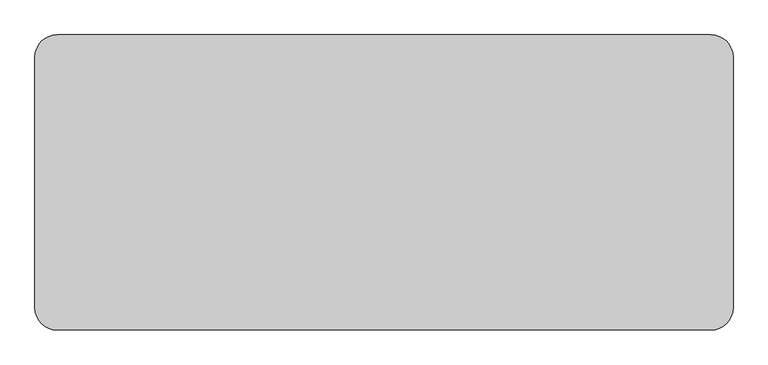
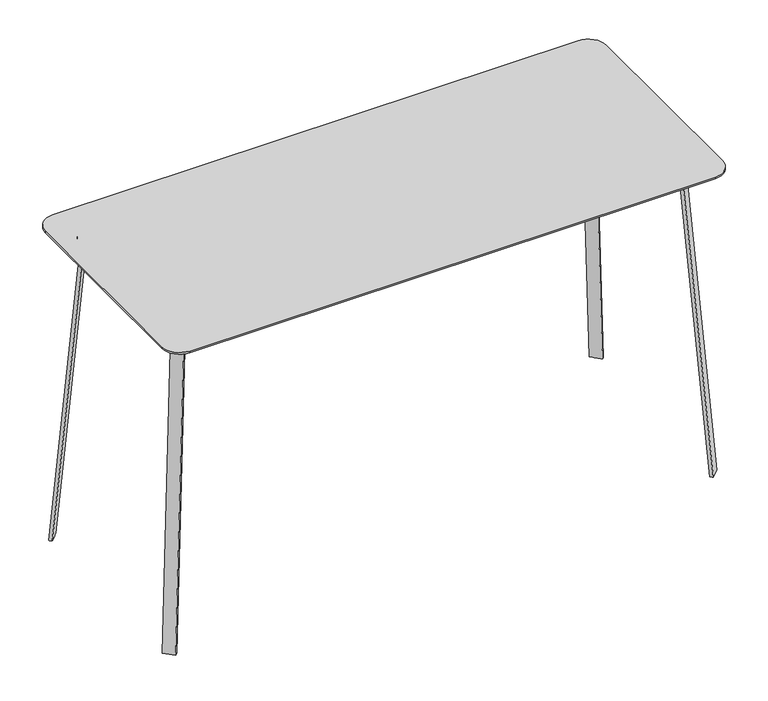
"""IFC4 building model written with IfcOpenShell, lengths in millimetres: furniture geometry."""

import ifcopenshell
import ifcopenshell.guid

model = None  # the IFC model being written
_history = None  # IfcOwnerHistory: only IFC2X3 demands one
_inside = {}  # id of a spatial element -> (the spatial element, [elements in it])
_under = {}  # id of a project, library or spatial element -> (it, [spatial elements below it])
_declared = {}  # id of a project -> (the project, [libraries it declares])
_typed = {}  # id of a type object -> (the type object, [elements of that type])
_made_of = {}  # id of a material, layer set ... -> (it, [elements and type objects made of it])


def new_model(schema):
    """Start an empty IFC model of exactly this schema.

    Asked for "IFC4X3", IfcOpenShell would pick the latest addendum, in which some entities
    have other attributes; the version numbers below select the first issue.
    IFC2X3 requires an IfcOwnerHistory on every rooted entity: one is made here for all.
    """
    global model, _history
    if schema == "IFC4X3":
        model = ifcopenshell.file(schema_version=(4, 3, 0, 0))
    else:
        model = ifcopenshell.file(schema=schema)
    _inside.clear()
    _under.clear()
    _declared.clear()
    _typed.clear()
    _made_of.clear()
    _history = None
    if model.schema == "IFC2X3":
        org = make("IfcOrganization", Name="unknown")
        user = make(
            "IfcPersonAndOrganization",
            ThePerson=make("IfcPerson", FamilyName="unknown"),
            TheOrganization=org,
        )
        app = make(
            "IfcApplication",
            ApplicationDeveloper=org,
            Version="unknown",
            ApplicationFullName="unknown",
            ApplicationIdentifier="unknown",
        )
        _history = make(
            "IfcOwnerHistory",
            OwningUser=user,
            OwningApplication=app,
            ChangeAction="ADDED",
            CreationDate=0,
        )
    return model


def make(cls, **values):
    """One entity of the class cls with the attributes given. An attribute that is None is left unset."""
    return model.create_entity(
        cls, **{name: value for name, value in values.items() if value is not None}
    )


def rooted(cls, **values):
    """An entity with a GlobalId (a new one), such as an element, a storey or a relation."""
    return make(cls, GlobalId=ifcopenshell.guid.new(), OwnerHistory=_history, **values)


def si_unit(unit_type, name, prefix=None):
    """IfcSIUnit, for example si_unit("LENGTHUNIT", "METRE", prefix="MILLI")."""
    return make("IfcSIUnit", UnitType=unit_type, Prefix=prefix, Name=name)


def assignment(units):
    """IfcUnitAssignment: the units of a project."""
    return None if units is None else make("IfcUnitAssignment", Units=units)


def point(xyz):
    """IfcCartesianPoint."""
    return None if xyz is None else make("IfcCartesianPoint", Coordinates=xyz)


def direction(xyz):
    """IfcDirection."""
    return None if xyz is None else make("IfcDirection", DirectionRatios=xyz)


def frame(location, z_axis=None, x_axis=None):
    """IfcAxis2Placement3D, a coordinate frame: its origin and axes. An axis left out is left unset."""
    return make(
        "IfcAxis2Placement3D",
        Location=point(location),
        Axis=direction(z_axis),
        RefDirection=direction(x_axis),
    )


def frame_2d(location, x_axis=None):
    """IfcAxis2Placement2D, a coordinate frame in the plane: its origin and x axis."""
    return make(
        "IfcAxis2Placement2D", Location=point(location), RefDirection=direction(x_axis)
    )


def origin():
    """The frame at (0, 0, 0) with its axes left unset."""
    return frame((0.0, 0.0, 0.0))


def place(relative_to, where):
    """IfcLocalPlacement: puts the frame where relative to a parent placement (None: the world)."""
    return make(
        "IfcLocalPlacement", PlacementRelTo=relative_to, RelativePlacement=where
    )


def context(
    kind, dimensions, precision=None, world=None, true_north=None, identifier=None
):
    """IfcGeometricRepresentationContext, for example the 3D "Model" context."""
    return make(
        "IfcGeometricRepresentationContext",
        ContextIdentifier=identifier,
        ContextType=kind,
        CoordinateSpaceDimension=dimensions,
        Precision=precision,
        WorldCoordinateSystem=world,
        TrueNorth=true_north,
    )


def project(units=None, contexts=None):
    """IfcProject with its units and contexts."""
    return rooted(
        "IfcProject",
        Name="project",
        RepresentationContexts=contexts,
        UnitsInContext=assignment(units),
    )


def spatial(cls, under=None, at=None, **own):
    """A site, building, storey or space (cls), placed at a placement, below another one or the project."""
    s = rooted(cls, ObjectPlacement=at, **own)
    if under is not None:
        _under.setdefault(under.id(), (under, []))[1].append(s)
    return s


def polyline(points):
    """IfcPolyline through the points."""
    return make("IfcPolyline", Points=[point(p) for p in points])


def circle_curve(where, radius):
    """IfcCircle in the frame where."""
    return make("IfcCircle", Position=where, Radius=radius)


def trimmed(basis, trim1, trim2, sense, master):
    """IfcTrimmedCurve: the piece of a basis curve between two trims."""
    return make(
        "IfcTrimmedCurve",
        BasisCurve=basis,
        Trim1=trim1,
        Trim2=trim2,
        SenseAgreement=sense,
        MasterRepresentation=master,
    )


def segment(curve, same_sense, transition):
    """IfcCompositeCurveSegment."""
    return make(
        "IfcCompositeCurveSegment",
        Transition=transition,
        SameSense=same_sense,
        ParentCurve=curve,
    )


def composite_curve(segments, self_intersect=None):
    """IfcCompositeCurve: segments joined end to end."""
    return make("IfcCompositeCurve", Segments=segments, SelfIntersect=self_intersect)


def outline(outer, holes=None, kind="AREA"):
    """IfcArbitraryClosedProfileDef: a profile drawn as a closed curve; with holes, ...WithVoids."""
    if holes is None:
        return make("IfcArbitraryClosedProfileDef", ProfileType=kind, OuterCurve=outer)
    return make(
        "IfcArbitraryProfileDefWithVoids",
        ProfileType=kind,
        OuterCurve=outer,
        InnerCurves=holes,
    )


def extrude(swept, where, along, depth):
    """IfcExtrudedAreaSolid: the profile swept, set in the frame where, extruded along a direction by depth."""
    return make(
        "IfcExtrudedAreaSolid",
        SweptArea=swept,
        Position=where,
        ExtrudedDirection=direction(along),
        Depth=depth,
    )


def shape(context_of_items, identifier, shape_type, items):
    """IfcShapeRepresentation: the items that make up one representation, for example the "Body"."""
    return make(
        "IfcShapeRepresentation",
        ContextOfItems=context_of_items,
        RepresentationIdentifier=identifier,
        RepresentationType=shape_type,
        Items=items,
    )


def source(mapping_origin, context_of_items, identifier, shape_type, items):
    """IfcRepresentationMap: a shape defined once, which mapped items show again and again."""
    return make(
        "IfcRepresentationMap",
        MappingOrigin=mapping_origin,
        MappedRepresentation=shape(context_of_items, identifier, shape_type, items),
    )


def transform(
    local_origin,
    x_axis=None,
    y_axis=None,
    z_axis=None,
    scale=None,
    scale2=None,
    scale3=None,
    uniform=True,
):
    """IfcCartesianTransformationOperator3D, or its non-uniform kind. x_axis, y_axis, z_axis: its Axis1, 2, 3."""
    if uniform:
        return make(
            "IfcCartesianTransformationOperator3D",
            Axis1=direction(x_axis),
            Axis2=direction(y_axis),
            LocalOrigin=point(local_origin),
            Scale=scale,
            Axis3=direction(z_axis),
        )
    return make(
        "IfcCartesianTransformationOperator3DnonUniform",
        Axis1=direction(x_axis),
        Axis2=direction(y_axis),
        LocalOrigin=point(local_origin),
        Scale=scale,
        Axis3=direction(z_axis),
        Scale2=scale2,
        Scale3=scale3,
    )


def mapped(mapping_source, mapping_target):
    """IfcMappedItem: shows the shape of a source again, moved by a transform."""
    return make(
        "IfcMappedItem", MappingSource=mapping_source, MappingTarget=mapping_target
    )


def made_of(thing, what):
    """Note that an element or type object is made of a material, layer set ...; save() writes the relation."""
    if what is not None:
        _made_of.setdefault(what.id(), (what, []))[1].append(thing)
    return thing


def element(
    cls,
    number,
    at=None,
    inside=None,
    cuts=None,
    type_object=None,
    material=None,
    context=None,
    identifier="Body",
    shape_type=None,
    held_by="IfcProductDefinitionShape",
    body=None,
    shapes=None,
    **own,
):
    """One element of the class cls, such as IfcWall. Its Tag is "e" and its number.

    at: its placement. inside: the storey or other place that contains it. cuts: it is an
    opening in that element (IfcRelVoidsElement). A single representation is given by context,
    identifier, shape_type and body (its items); several are given by shapes. held_by: the class
    of the entity that holds the representations. save() writes the other relations.
    """
    e = rooted(cls, Tag="e%d" % number, ObjectPlacement=at, **own)
    if body is not None:
        shapes = [shape(context, identifier, shape_type, body)]
    if shapes is not None:
        e.Representation = make(held_by, Representations=shapes)
    if inside is not None:
        _inside.setdefault(inside.id(), (inside, []))[1].append(e)
    if cuts is not None:
        rooted(
            "IfcRelVoidsElement", RelatingBuildingElement=cuts, RelatedOpeningElement=e
        )
    if type_object is not None:
        _typed.setdefault(type_object.id(), (type_object, []))[1].append(e)
    return made_of(e, material)


def aggregate(whole, parts):
    """IfcRelAggregates: a whole, such as a stair, and the parts it consists of."""
    return rooted("IfcRelAggregates", RelatingObject=whole, RelatedObjects=parts)


def save(model, path):
    """Write the relations noted so far, then the file.

    IfcRelAggregates (storeys below a building ...), IfcRelContainedInSpatialStructure (elements
    in a storey), IfcRelDefinesByType, IfcRelAssociatesMaterial and IfcRelDeclares: one each for
    every whole, place, type object, material and project.
    """
    for whole, parts in _under.values():
        aggregate(whole, parts)
    for where, things in _inside.values():
        rooted(
            "IfcRelContainedInSpatialStructure",
            RelatedElements=things,
            RelatingStructure=where,
        )
    for kind, things in _typed.values():
        rooted("IfcRelDefinesByType", RelatedObjects=things, RelatingType=kind)
    for what, things in _made_of.values():
        rooted("IfcRelAssociatesMaterial", RelatedObjects=things, RelatingMaterial=what)
    for by, libraries in _declared.values():
        rooted("IfcRelDeclares", RelatingContext=by, RelatedDefinitions=libraries)
    model.write(path)


def plane_surface(at):
    """IfcPlane: the flat surface through the origin of the frame at, square to its z axis."""
    return make("IfcPlane", Position=at)


def cylinder_surface(at, radius):
    """IfcCylindricalSurface: all points at the distance radius from the z axis of the frame at."""
    return make("IfcCylindricalSurface", Position=at, Radius=radius)


def revolved_surface(curve, axis_point, axis_direction):
    """IfcSurfaceOfRevolution: the curve turned about the line through axis_point along axis_direction."""
    return make(
        "IfcSurfaceOfRevolution",
        SweptCurve=make("IfcArbitraryOpenProfileDef", ProfileType="CURVE", Curve=curve),
        AxisPosition=make("IfcAxis1Placement", Location=point(axis_point), Axis=direction(axis_direction)),
    )


def spline_surface(u_degree, v_degree, points, u_multiplicities, v_multiplicities, u_knots, v_knots, weights=None):
    """IfcBSplineSurfaceWithKnots; with weights, IfcRationalBSplineSurfaceWithKnots. points: one row for each step in u."""
    own = dict(
        UDegree=u_degree,
        VDegree=v_degree,
        ControlPointsList=[[point(p) for p in row] for row in points],
        SurfaceForm="UNSPECIFIED",
        UClosed=False,
        VClosed=False,
        SelfIntersect=False,
        UMultiplicities=u_multiplicities,
        VMultiplicities=v_multiplicities,
        UKnots=u_knots,
        VKnots=v_knots,
        KnotSpec="UNSPECIFIED",
    )
    if weights is None:
        return make("IfcBSplineSurfaceWithKnots", **own)
    return make("IfcRationalBSplineSurfaceWithKnots", WeightsData=weights, **own)


def advanced_brep(points, edges, surfaces, faces):
    """IfcAdvancedBrep: a solid bounded by faces that lie on surfaces and meet in shared edges.

    An edge is (start, end): straight between two places in points (the first is 0);
    or (start, end, curve); or (start, end, curve, False) where it runs against its curve.
    A face is (place in surfaces, loops), or (place, loops, False) where it looks against
    its surface's normal. A loop lists edges by number (the first is 1), with a minus sign
    where the edge is run from its end to its start. The first loop is the outer one.
    """
    corners = [point(p) for p in points]
    vertices = [make("IfcVertexPoint", VertexGeometry=c) for c in corners]
    made = []
    for start, end, *more in edges:
        made.append(
            make(
                "IfcEdgeCurve",
                EdgeStart=vertices[start],
                EdgeEnd=vertices[end],
                EdgeGeometry=more[0] if more else make("IfcPolyline", Points=[corners[start], corners[end]]),
                SameSense=more[1] if len(more) > 1 else True,
            )
        )
    hull = []
    for where, loops, *sense in faces:
        bounds = []
        for j, loop in enumerate(loops):
            ring = [make("IfcOrientedEdge", EdgeElement=made[abs(k) - 1], Orientation=k > 0) for k in loop]
            bounds.append(
                make(
                    "IfcFaceOuterBound" if j == 0 else "IfcFaceBound",
                    Bound=make("IfcEdgeLoop", EdgeList=ring),
                    Orientation=True,
                )
            )
        hull.append(make("IfcAdvancedFace", Bounds=bounds, FaceSurface=surfaces[where], SameSense=sense[0] if sense else True))
    return make("IfcAdvancedBrep", Outer=make("IfcClosedShell", CfsFaces=hull))


def furniture_168d4a9d(model_context):
    return source(origin(), model_context, "Body", "SolidModel", [
        extrude(outline(composite_curve([segment(trimmed(circle_curve(frame_2d((1202.7154289, 209.153125)), 60.325), [point((1202.7154289, 269.478125))], [point((1263.0404289, 209.153125))], False, "CARTESIAN"), True, "CONTINUOUS"), segment(polyline([(1263.0404289, 209.153125), (1263.0404289, -470.296875)]), True, "CONTINUOUS"), segment(trimmed(circle_curve(frame_2d((1202.7154289, -470.296875)), 60.325), [point((1263.0404289, -470.296875))], [point((1202.7154289, -530.621875))], False, "CARTESIAN"), True, "CONTINUOUS"), segment(polyline([(1202.7154289, -530.621875), (-566.6525399, -530.621875)]), True, "CONTINUOUS"), segment(trimmed(circle_curve(frame_2d((-566.6525399, -470.296875)), 60.325), [point((-566.6525399, -530.621875))], [point((-626.9775399, -470.296875))], False, "CARTESIAN"), True, "CONTINUOUS"), segment(polyline([(-626.9775399, -470.296875), (-626.9775399, 209.153125)]), True, "CONTINUOUS"), segment(trimmed(circle_curve(frame_2d((-566.6525399, 209.153125)), 60.325), [point((-626.9775399, 209.153125))], [point((-566.6525399, 269.478125))], False, "CARTESIAN"), True, "CONTINUOUS"), segment(polyline([(-566.6525399, 269.478125), (1202.7154289, 269.478125)]), True, "CONTINUOUS")], self_intersect=False)), frame((0.0, 0.0, 1094.047053), z_axis=(0.0, 0.0, 1.0), x_axis=(1.0, 0.0, 0.0)), (0.0, 0.0, 1.0), 5.9912283),
        advanced_brep(
        [(-510.8413612, -436.1434602, 1094.047053), (1146.8752089, -436.1434602, 1094.047053), (1197.6752089, -385.3434602, 1094.047053), (1197.6752089, 124.2199619, 1094.047053), (1146.8752089, 175.0199619, 1094.047053), (-510.8123198, 175.0199619, 1094.047053), (-561.6123198, 124.2199619, 1094.047053), (-561.6413612, -385.3434602, 1094.047053), (-510.7142395, -428.1022359, 1094.047053), (-553.6001551, -385.2163203, 1094.047053), (-553.6001551, 124.7624191, 1094.047053), (-511.218017, 166.9787557, 1094.047053), (1147.2809061, 166.9787557, 1094.047053), (1189.6339846, 124.6256772, 1094.047053), (1189.6339846, -385.6612191, 1094.047053), (1147.1929678, -428.1022359, 1094.047053), (-510.8413612, -436.1434602, 1063.8925345), (-561.6413612, -385.3434602, 1063.8925345), (-561.6413612, 124.2199619, 1063.8925345), (-510.8123198, 175.0199619, 1063.8925345), (1146.8752089, 175.0199619, 1063.8925345), (1197.6752089, 124.2199619, 1063.8925345), (1197.6752089, -385.3434602, 1063.8925345), (1146.8752089, -436.1434602, 1063.8925345), (-510.7142395, -428.1022359, 1063.8925345), (1147.1929678, -428.1022359, 1063.8925345), (1189.6339846, -385.6612191, 1063.8925345), (1189.6339846, 124.6256772, 1063.8925345), (1147.2809061, 166.9787557, 1063.8925345), (-511.218017, 166.9787557, 1063.8925345), (-553.5710955, 124.6256772, 1063.8925345), (-553.6001551, -385.2163203, 1063.8925345)],
        [
            (0, 1),
            (1, 2, circle_curve(frame((1146.8752089, -385.3434602, 1094.047053), z_axis=(0.0, 0.0, 1.0), x_axis=(1.0, 0.0, 0.0)), 50.8)),
            (2, 3),
            (3, 4, circle_curve(frame((1146.8752089, 124.2199619, 1094.047053), z_axis=(0.0, 0.0, 1.0), x_axis=(1.0, 0.0, 0.0)), 50.8)),
            (4, 5),
            (5, 6, circle_curve(frame((-510.8123198, 124.2199619, 1094.047053), z_axis=(0.0, 0.0, 1.0), x_axis=(1.0, 0.0, 0.0)), 50.8)),
            (6, 7),
            (7, 0, circle_curve(frame((-510.8413612, -385.3434602, 1094.047053), z_axis=(0.0, 0.0, 1.0), x_axis=(1.0, 0.0, 0.0)), 50.8)),
            (8, 9, circle_curve(frame((-510.7142395, -385.2163203, 1094.047053), z_axis=(0.0, 0.0, -1.0), x_axis=(1.0, 0.0, 0.0)), 42.8859156)),
            (9, 10),
            (10, 11, circle_curve(frame((-511.218017, 124.6256772, 1094.047053), z_axis=(0.0, 0.0, -1.0), x_axis=(1.0, 0.0, 0.0)), 42.3530785)),
            (11, 12),
            (12, 13, circle_curve(frame((1147.2809061, 124.6256772, 1094.047053), z_axis=(0.0, 0.0, -1.0), x_axis=(1.0, 0.0, 0.0)), 42.3530785)),
            (13, 14),
            (14, 15, circle_curve(frame((1147.1929678, -385.6612191, 1094.047053), z_axis=(0.0, 0.0, -1.0), x_axis=(1.0, 0.0, 0.0)), 42.4410167)),
            (15, 8),
            (16, 17, circle_curve(frame((-510.8413612, -385.3434602, 1063.8925345), z_axis=(0.0, 0.0, -1.0), x_axis=(1.0, 0.0, 0.0)), 50.8)),
            (17, 18),
            (18, 19, circle_curve(frame((-510.8123198, 124.2199619, 1063.8925345), z_axis=(0.0, 0.0, -1.0), x_axis=(1.0, 0.0, 0.0)), 50.8)),
            (19, 20),
            (20, 21, circle_curve(frame((1146.8752089, 124.2199619, 1063.8925345), z_axis=(0.0, 0.0, -1.0), x_axis=(1.0, 0.0, 0.0)), 50.8)),
            (21, 22),
            (22, 23, circle_curve(frame((1146.8752089, -385.3434602, 1063.8925345), z_axis=(0.0, 0.0, -1.0), x_axis=(1.0, 0.0, 0.0)), 50.8)),
            (23, 16),
            (24, 25),
            (25, 26, circle_curve(frame((1147.1929678, -385.6612191, 1063.8925345), z_axis=(0.0, 0.0, 1.0), x_axis=(1.0, 0.0, 0.0)), 42.4410167)),
            (26, 27),
            (27, 28, circle_curve(frame((1147.2809061, 124.6256772, 1063.8925345), z_axis=(0.0, 0.0, 1.0), x_axis=(1.0, 0.0, 0.0)), 42.3530785)),
            (28, 29),
            (29, 30, circle_curve(frame((-511.218017, 124.6256772, 1063.8925345), z_axis=(0.0, 0.0, 1.0), x_axis=(1.0, 0.0, 0.0)), 42.3530785)),
            (30, 31),
            (31, 24, circle_curve(frame((-510.7142395, -385.2163203, 1063.8925345), z_axis=(0.0, 0.0, 1.0), x_axis=(1.0, 0.0, 0.0)), 42.8859156)),
            (0, 16),
            (23, 1),
            (2, 22),
            (21, 3),
            (20, 4),
            (19, 5),
            (18, 6),
            (17, 7),
            (9, 31),
            (30, 10),
            (29, 11),
            (28, 12),
            (27, 13),
            (26, 14),
            (15, 25),
            (24, 8),
        ],
        [
            plane_surface(frame((1146.8752089, -436.1434602, 1094.047053), z_axis=(0.0, 0.0, 1.0), x_axis=(1.0, 0.0, 0.0))),
            plane_surface(frame((1146.8752089, -436.1434602, 1063.8925345), z_axis=(0.0, 0.0, -1.0), x_axis=(-1.0, 0.0, 0.0))),
            plane_surface(frame((-510.8413612, -436.1434602, 1094.047053), z_axis=(0.0, -1.0, 0.0), x_axis=(0.0, 0.0, -1.0))),
            plane_surface(frame((1197.6752089, -385.3434602, 1094.047053), z_axis=(1.0, 0.0, 0.0), x_axis=(0.0, 0.0, -1.0))),
            cylinder_surface(frame((1146.8752089, 124.2199619, 1063.8925345), z_axis=(0.0, 0.0, 1.0), x_axis=(1.0, 0.0, 0.0)), 50.8),
            plane_surface(frame((1146.8752089, 175.0199619, 1094.047053), z_axis=(0.0, 1.0, 0.0), x_axis=(0.0, 0.0, -1.0))),
            cylinder_surface(frame((-510.8123198, 124.2199619, 1063.8925345), z_axis=(0.0, 0.0, 1.0), x_axis=(1.0, 0.0, 0.0)), 50.8),
            plane_surface(frame((-561.6413612, 124.2199619, 1094.047053), z_axis=(-1.0, 0.0, 0.0), x_axis=(0.0, 0.0, -1.0))),
            plane_surface(frame((-553.6001551, -385.2163203, 1094.047053), z_axis=(1.0, 0.0, 0.0), x_axis=(0.0, 0.0, -1.0))),
            revolved_surface(polyline([(-468.8649385, 124.6256772, 1063.8925345), (-468.8649385, 124.6256772, 1094.047053)]), (-511.218017, 124.6256772, 0.0), (0.0, 0.0, -1.0)),
            plane_surface(frame((-511.218017, 166.9787557, 1094.047053), z_axis=(0.0, -1.0, 0.0), x_axis=(0.0, 0.0, -1.0))),
            revolved_surface(polyline([(1189.6339846, 124.6256772, 1063.8925345), (1189.6339846, 124.6256772, 1094.047053)]), (1147.2809061, 124.6256772, 0.0), (0.0, 0.0, -1.0)),
            plane_surface(frame((1189.6339846, 124.6256772, 1094.047053), z_axis=(-1.0, 0.0, 0.0), x_axis=(0.0, 0.0, -1.0))),
            plane_surface(frame((1147.1929678, -428.1022359, 1094.047053), z_axis=(0.0, 1.0, 0.0), x_axis=(0.0, 0.0, -1.0))),
            cylinder_surface(frame((1146.8752089, -385.3434602, 1063.8925345), z_axis=(0.0, 0.0, 1.0), x_axis=(1.0, 0.0, 0.0)), 50.8),
            cylinder_surface(frame((-510.8413612, -385.3434602, 1063.8925345), z_axis=(0.0, 0.0, 1.0), x_axis=(1.0, 0.0, 0.0)), 50.8),
            revolved_surface(polyline([(-467.82832390000004, -385.2163203, 1063.8925345), (-467.82832390000004, -385.2163203, 1094.047053)]), (-510.7142395, -385.2163203, 0.0), (0.0, 0.0, -1.0)),
            revolved_surface(polyline([(1189.6339845, -385.6612191, 1063.8925345), (1189.6339845, -385.6612191, 1094.047053)]), (1147.1929678, -385.6612191, 0.0), (0.0, 0.0, -1.0)),
        ],
        [
            (0, [[1, 2, 3, 4, 5, 6, 7, 8], [9, 10, 11, 12, 13, 14, 15, 16]]),
            (1, [[17, 18, 19, 20, 21, 22, 23, 24], [25, 26, 27, 28, 29, 30, 31, 32]]),
            (2, [[-1, 33, -24, 34]]),
            (3, [[-3, 35, -22, 36]]),
            (4, [[-4, -36, -21, 37]]),
            (5, [[-5, -37, -20, 38]]),
            (6, [[-6, -38, -19, 39]]),
            (7, [[-7, -39, -18, 40]]),
            (8, [[-10, 41, -31, 42]]),
            (9, [[-11, -42, -30, 43]]),
            (10, [[-12, -43, -29, 44]]),
            (11, [[-13, -44, -28, 45]]),
            (12, [[-14, -45, -27, 46]]),
            (13, [[-16, 47, -25, 48]]),
            (14, [[-2, -34, -23, -35]]),
            (15, [[-8, -40, -17, -33]]),
            (16, [[-9, -48, -32, -41]]),
            (17, [[-15, -46, -26, -47]]),
        ],
    ),
        advanced_brep(
        [(-522.9418138, 161.6525031, 1081.9852529), (-551.3717736, 133.2225433, 1081.9852529), (-544.1908619, 126.0416408, 1081.9852529), (-515.7609112, 154.4716006, 1081.9852529), (-590.7605893, 229.4712787, 0.0), (-583.5796868, 222.2903762, 0.0), (-612.0096446, 193.8604195, 0.0), (-619.190548, 201.0413235, 0.0)],
        [
            (0, 1),
            (1, 2),
            (2, 3),
            (3, 0),
            (4, 5),
            (5, 6),
            (6, 7),
            (7, 4),
            (7, 1),
            (0, 4),
            (6, 2),
            (5, 3),
        ],
        [
            plane_surface(frame((-533.5663401, 143.847072, 1081.9852529), z_axis=(0.0, 0.0, 1.0), x_axis=(0.7071072284265448, -0.7071063339462674, 0.0))),
            plane_surface(frame((-601.3851172, 211.6658495, 0.0), z_axis=(0.0, 0.0, -1.0), x_axis=(0.7071072284265448, -0.7071063339462674, 0.0))),
            spline_surface(1, 1, [[(-590.7605893, 229.4712787, 0.0), (-522.9418138, 161.6525031, 1081.9852529)], [(-619.190548, 201.0413235, 0.0), (-551.3717736, 133.2225433, 1081.9852529)]], [2, 2], [2, 2], [0.0, 1.0], [0.0, 1.0]),
            spline_surface(1, 1, [[(-619.190548, 201.0413235, 0.0), (-551.3717736, 133.2225433, 1081.9852529)], [(-612.0096446, 193.8604195, 0.0), (-544.1908619, 126.0416408, 1081.9852529)]], [2, 2], [2, 2], [0.0, 1.0], [0.0, 1.0]),
            spline_surface(1, 1, [[(-612.0096446, 193.8604195, 0.0), (-544.1908619, 126.0416408, 1081.9852529)], [(-583.5796868, 222.2903762, 0.0), (-515.7609112, 154.4716006, 1081.9852529)]], [2, 2], [2, 2], [0.0, 1.0], [0.0, 1.0]),
            plane_surface(frame((-587.1701381, 225.8808275, 0.0), z_axis=(0.7071067811865492, 0.7071067811865459, 0.0), x_axis=(-0.7071067811865459, 0.7071067811865492, 0.0))),
        ],
        [
            (0, [[1, 2, 3, 4]]),
            (1, [[5, 6, 7, 8]]),
            (2, [[-8, 9, -1, 10]]),
            (3, [[-7, 11, -2, -9]]),
            (4, [[-6, 12, -3, -11]]),
            (5, [[-5, -10, -4, -12]]),
        ],
    ),
        advanced_brep(
        [(-522.9433307, -421.5064418, 1081.9852529), (-515.7624282, -414.3255575, 1081.9852529), (-544.1923789, -385.8956067, 1081.9852529), (-551.3732905, -393.0764911, 1081.9852529), (-590.7621109, -489.3251947, 0.0), (-619.1920661, -460.895244, 0.0), (-612.0111698, -453.71435, 0.0), (-583.5812137, -482.1443004, 0.0)],
        [
            (0, 1),
            (1, 2),
            (2, 3),
            (3, 0),
            (4, 5),
            (5, 6),
            (6, 7),
            (7, 4),
            (4, 0),
            (3, 5),
            (2, 6),
            (1, 7),
        ],
        [
            plane_surface(frame((-533.5678571, -403.7010243, 1081.9852529), z_axis=(0.0, 0.0, 1.0), x_axis=(0.7071068941515355, -0.7071066682215416, 0.0))),
            plane_surface(frame((-601.3866401, -471.5197723, 0.0), z_axis=(0.0, 0.0, -1.0), x_axis=(0.7071068941515355, -0.7071066682215416, 0.0))),
            spline_surface(1, 1, [[(-619.1920661, -460.895244, 0.0), (-551.3732905, -393.0764911, 1081.9852529)], [(-590.7621109, -489.3251947, 0.0), (-522.9433307, -421.5064418, 1081.9852529)]], [2, 2], [2, 2], [0.0, 1.0], [0.0, 1.0]),
            spline_surface(1, 1, [[(-612.0111698, -453.71435, 0.0), (-544.1923789, -385.8956067, 1081.9852529)], [(-619.1920661, -460.895244, 0.0), (-551.3732905, -393.0764911, 1081.9852529)]], [2, 2], [2, 2], [0.0, 1.0], [0.0, 1.0]),
            spline_surface(1, 1, [[(-583.5812137, -482.1443004, 0.0), (-515.7624282, -414.3255575, 1081.9852529)], [(-612.0111698, -453.71435, 0.0), (-544.1923789, -385.8956067, 1081.9852529)]], [2, 2], [2, 2], [0.0, 1.0], [0.0, 1.0]),
            spline_surface(1, 1, [[(-590.7621109, -489.3251947, 0.0), (-522.9433307, -421.5064418, 1081.9852529)], [(-583.5812137, -482.1443004, 0.0), (-515.7624282, -414.3255575, 1081.9852529)]], [2, 2], [2, 2], [0.0, 1.0], [0.0, 1.0]),
        ],
        [
            (0, [[1, 2, 3, 4]]),
            (1, [[5, 6, 7, 8]]),
            (2, [[-5, 9, -4, 10]]),
            (3, [[-6, -10, -3, 11]]),
            (4, [[-7, -11, -2, 12]]),
            (5, [[-8, -12, -1, -9]]),
        ],
    ),
        advanced_brep(
        [(1152.3437367, 161.6193635, 1081.9852529), (1145.1627887, 154.4384519, 1081.9852529), (1173.5927344, 126.0084971, 1081.9852529), (1180.7737005, 133.1893906, 1081.9852529), (1220.162574, 229.4381273, 0.0), (1248.5925225, 201.0081743, 0.0), (1241.4115907, 193.8272464, 0.0), (1212.9816403, 222.2572014, 0.0)],
        [
            (0, 1),
            (1, 2),
            (2, 3),
            (3, 0),
            (4, 5),
            (5, 6),
            (6, 7),
            (7, 4),
            (4, 0),
            (3, 5),
            (2, 6),
            (1, 7),
        ],
        [
            plane_surface(frame((1162.96824, 143.8139258, 1081.9852529), z_axis=(0.0, 0.0, 1.0), x_axis=(-0.7071066682215376, 0.7071068941515395, 0.0))),
            plane_surface(frame((1230.7870819, 211.6326873, 0.0), z_axis=(0.0, 0.0, -1.0), x_axis=(-0.7071066682215376, 0.7071068941515395, 0.0))),
            spline_surface(1, 1, [[(1248.5925225, 201.0081743, 0.0), (1180.7737005, 133.1893906, 1081.9852529)], [(1220.162574, 229.4381273, 0.0), (1152.3437367, 161.6193635, 1081.9852529)]], [2, 2], [2, 2], [0.0, 1.0], [0.0, 1.0]),
            spline_surface(1, 1, [[(1241.4115907, 193.8272464, 0.0), (1173.5927344, 126.0084971, 1081.9852529)], [(1248.5925225, 201.0081743, 0.0), (1180.7737005, 133.1893906, 1081.9852529)]], [2, 2], [2, 2], [0.0, 1.0], [0.0, 1.0]),
            spline_surface(1, 1, [[(1212.9816403, 222.2572014, 0.0), (1145.1627887, 154.4384519, 1081.9852529)], [(1241.4115907, 193.8272464, 0.0), (1173.5927344, 126.0084971, 1081.9852529)]], [2, 2], [2, 2], [0.0, 1.0], [0.0, 1.0]),
            spline_surface(1, 1, [[(1220.162574, 229.4381273, 0.0), (1152.3437367, 161.6193635, 1081.9852529)], [(1212.9816403, 222.2572014, 0.0), (1145.1627887, 154.4384519, 1081.9852529)]], [2, 2], [2, 2], [0.0, 1.0], [0.0, 1.0]),
        ],
        [
            (0, [[1, 2, 3, 4]]),
            (1, [[5, 6, 7, 8]]),
            (2, [[-5, 9, -4, 10]]),
            (3, [[-6, -10, -3, 11]]),
            (4, [[-7, -11, -2, 12]]),
            (5, [[-8, -12, -1, -9]]),
        ],
    ),
        advanced_brep(
        [(1152.3106606, -421.5079679, 1081.9852529), (1180.7406113, -393.0780172, 1081.9852529), (1173.5596543, -385.8971328, 1081.9852529), (1145.1297036, -414.3270835, 1081.9852529), (1220.1293408, -489.3267207, 0.0), (1212.9484966, -482.1458689, 0.0), (1241.3784473, -453.7159182, 0.0), (1248.5592915, -460.89677, 0.0)],
        [
            (0, 1),
            (1, 2),
            (2, 3),
            (3, 0),
            (4, 5),
            (5, 6),
            (6, 7),
            (7, 4),
            (7, 1),
            (0, 4),
            (6, 2),
            (5, 3),
        ],
        [
            plane_surface(frame((1162.9351574, -403.7025504, 1081.9852529), z_axis=(0.0, 0.0, 1.0), x_axis=(-0.7071103590917963, 0.7071032032631948, 0.0))),
            plane_surface(frame((1230.7538941, -471.5213195, 0.0), z_axis=(0.0, 0.0, -1.0), x_axis=(-0.7071103590917963, 0.7071032032631948, 0.0))),
            plane_surface(frame((1234.3443161, -475.1117454, 0.0), z_axis=(0.704344987326914, -0.7043449873269142, 0.08829653251911354), x_axis=(0.7071067811865477, 0.7071067811865475, 0.0))),
            spline_surface(1, 1, [[(1248.5592915, -460.89677, 0.0), (1180.7406113, -393.0780172, 1081.9852529)], [(1241.3784473, -453.7159182, 0.0), (1173.5596543, -385.8971328, 1081.9852529)]], [2, 2], [2, 2], [0.0, 1.0], [0.0, 1.0]),
            plane_surface(frame((1227.163472, -467.9308935, 0.0), z_axis=(-0.7043449814428357, 0.7043449814428357, -0.08829662639412149), x_axis=(-0.7071067811865476, -0.7071067811865476, 0.0))),
            spline_surface(1, 1, [[(1212.9484966, -482.1458689, 0.0), (1145.1297036, -414.3270835, 1081.9852529)], [(1220.1293408, -489.3267207, 0.0), (1152.3106606, -421.5079679, 1081.9852529)]], [2, 2], [2, 2], [0.0, 1.0], [0.0, 1.0]),
        ],
        [
            (0, [[1, 2, 3, 4]]),
            (1, [[5, 6, 7, 8]]),
            (2, [[-8, 9, -1, 10]]),
            (3, [[-7, 11, -2, -9]]),
            (4, [[-6, 12, -3, -11]]),
            (5, [[-5, -10, -4, -12]]),
        ],
    ),
    ])


if __name__ == "__main__":
    model = new_model("IFC4")
    model_context = context("Model", 3, world=origin())
    ifc_project = project(units=[si_unit("LENGTHUNIT", "METRE", prefix="MILLI")], contexts=[model_context])
    site = spatial("IfcSite", under=ifc_project)
    building = spatial("IfcBuilding", under=site)
    placement = place(None, origin())
    furniture_shape = furniture_168d4a9d(model_context)
    element("IfcFurniture", 1, at=placement, inside=building, context=model_context, shape_type="MappedRepresentation", body=[
        mapped(furniture_shape, transform((0.0, 0.0, 0.0), x_axis=(1.0, 0.0, 0.0), y_axis=(0.0, 1.0, 0.0), z_axis=(0.0, 0.0, 1.0))),
    ])
    save(model, "model.ifc")
